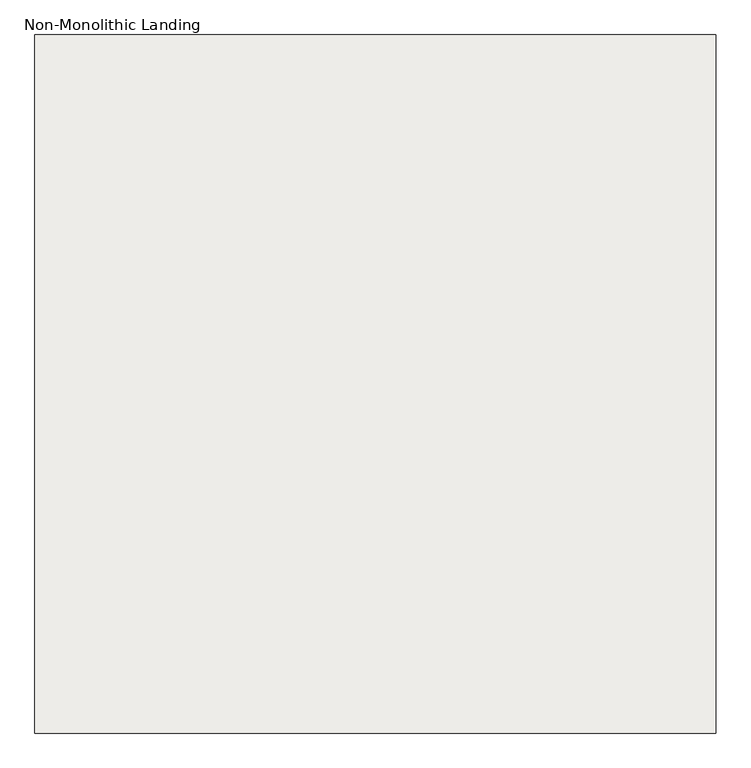
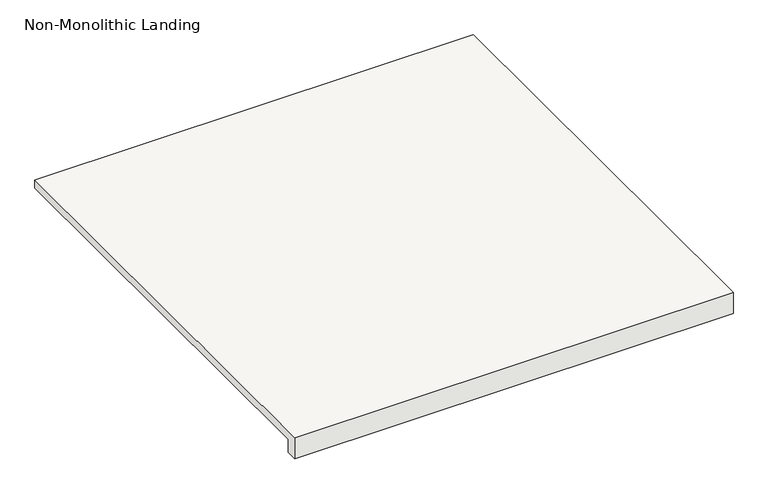
"""IFC4 building model written with IfcOpenShell, lengths in millimetres: slab geometry, Non-Monolithic Landing."""

import ifcopenshell
import ifcopenshell.guid

model = None  # the IFC model being written
_history = None  # IfcOwnerHistory: only IFC2X3 demands one
_inside = {}  # id of a spatial element -> (the spatial element, [elements in it])
_under = {}  # id of a project, library or spatial element -> (it, [spatial elements below it])
_declared = {}  # id of a project -> (the project, [libraries it declares])
_typed = {}  # id of a type object -> (the type object, [elements of that type])
_made_of = {}  # id of a material, layer set ... -> (it, [elements and type objects made of it])


def new_model(schema):
    """Start an empty IFC model of exactly this schema.

    Asked for "IFC4X3", IfcOpenShell would pick the latest addendum, in which some entities
    have other attributes; the version numbers below select the first issue.
    IFC2X3 requires an IfcOwnerHistory on every rooted entity: one is made here for all.
    """
    global model, _history
    if schema == "IFC4X3":
        model = ifcopenshell.file(schema_version=(4, 3, 0, 0))
    else:
        model = ifcopenshell.file(schema=schema)
    _inside.clear()
    _under.clear()
    _declared.clear()
    _typed.clear()
    _made_of.clear()
    _history = None
    if model.schema == "IFC2X3":
        org = make("IfcOrganization", Name="unknown")
        user = make(
            "IfcPersonAndOrganization",
            ThePerson=make("IfcPerson", FamilyName="unknown"),
            TheOrganization=org,
        )
        app = make(
            "IfcApplication",
            ApplicationDeveloper=org,
            Version="unknown",
            ApplicationFullName="unknown",
            ApplicationIdentifier="unknown",
        )
        _history = make(
            "IfcOwnerHistory",
            OwningUser=user,
            OwningApplication=app,
            ChangeAction="ADDED",
            CreationDate=0,
        )
    return model


def make(cls, **values):
    """One entity of the class cls with the attributes given. An attribute that is None is left unset."""
    return model.create_entity(
        cls, **{name: value for name, value in values.items() if value is not None}
    )


def rooted(cls, **values):
    """An entity with a GlobalId (a new one), such as an element, a storey or a relation."""
    return make(cls, GlobalId=ifcopenshell.guid.new(), OwnerHistory=_history, **values)


def si_unit(unit_type, name, prefix=None):
    """IfcSIUnit, for example si_unit("LENGTHUNIT", "METRE", prefix="MILLI")."""
    return make("IfcSIUnit", UnitType=unit_type, Prefix=prefix, Name=name)


def assignment(units):
    """IfcUnitAssignment: the units of a project."""
    return None if units is None else make("IfcUnitAssignment", Units=units)


def point(xyz):
    """IfcCartesianPoint."""
    return None if xyz is None else make("IfcCartesianPoint", Coordinates=xyz)


def direction(xyz):
    """IfcDirection."""
    return None if xyz is None else make("IfcDirection", DirectionRatios=xyz)


def frame(location, z_axis=None, x_axis=None):
    """IfcAxis2Placement3D, a coordinate frame: its origin and axes. An axis left out is left unset."""
    return make(
        "IfcAxis2Placement3D",
        Location=point(location),
        Axis=direction(z_axis),
        RefDirection=direction(x_axis),
    )


def origin():
    """The frame at (0, 0, 0) with its axes left unset."""
    return frame((0.0, 0.0, 0.0))


def place(relative_to, where):
    """IfcLocalPlacement: puts the frame where relative to a parent placement (None: the world)."""
    return make(
        "IfcLocalPlacement", PlacementRelTo=relative_to, RelativePlacement=where
    )


def context(
    kind, dimensions, precision=None, world=None, true_north=None, identifier=None
):
    """IfcGeometricRepresentationContext, for example the 3D "Model" context."""
    return make(
        "IfcGeometricRepresentationContext",
        ContextIdentifier=identifier,
        ContextType=kind,
        CoordinateSpaceDimension=dimensions,
        Precision=precision,
        WorldCoordinateSystem=world,
        TrueNorth=true_north,
    )


def project(units=None, contexts=None):
    """IfcProject with its units and contexts."""
    return rooted(
        "IfcProject",
        Name="project",
        RepresentationContexts=contexts,
        UnitsInContext=assignment(units),
    )


def spatial(cls, under=None, at=None, **own):
    """A site, building, storey or space (cls), placed at a placement, below another one or the project."""
    s = rooted(cls, ObjectPlacement=at, **own)
    if under is not None:
        _under.setdefault(under.id(), (under, []))[1].append(s)
    return s


def faces_of(points, faces, orient=None, outer=None):
    """IfcFace entities. A face is a list of loops; a loop is a list of indices into points, from 0.

    orient and outer hold one flag for each loop. By default every Orientation is true, the
    first loop of a face is its IfcFaceOuterBound and the others are IfcFaceBound.
    """
    made = []
    for i, loops in enumerate(faces):
        bounds = []
        for j, loop in enumerate(loops):
            is_outer = j == 0 if outer is None else outer[i][j]
            bounds.append(
                make(
                    "IfcFaceOuterBound" if is_outer else "IfcFaceBound",
                    Bound=make("IfcPolyLoop", Polygon=[points[k] for k in loop]),
                    Orientation=True if orient is None else orient[i][j],
                )
            )
        made.append(make("IfcFace", Bounds=bounds))
    return made


def faceted_brep(points, faces, orient=None, outer=None, voids=None):
    """IfcFacetedBrep: a solid bounded by flat faces; with voids (closed shells), ...WithVoids."""
    shared = [point(p) for p in points]
    hull = make("IfcClosedShell", CfsFaces=faces_of(shared, faces, orient, outer))
    if voids is None:
        return make("IfcFacetedBrep", Outer=hull)
    return make(
        "IfcFacetedBrepWithVoids",
        Outer=hull,
        Voids=[
            make(cls, CfsFaces=faces_of(shared, fs, o, b)) for cls, fs, o, b in voids
        ],
    )


def shape(context_of_items, identifier, shape_type, items):
    """IfcShapeRepresentation: the items that make up one representation, for example the "Body"."""
    return make(
        "IfcShapeRepresentation",
        ContextOfItems=context_of_items,
        RepresentationIdentifier=identifier,
        RepresentationType=shape_type,
        Items=items,
    )


def source(mapping_origin, context_of_items, identifier, shape_type, items):
    """IfcRepresentationMap: a shape defined once, which mapped items show again and again."""
    return make(
        "IfcRepresentationMap",
        MappingOrigin=mapping_origin,
        MappedRepresentation=shape(context_of_items, identifier, shape_type, items),
    )


def transform(
    local_origin,
    x_axis=None,
    y_axis=None,
    z_axis=None,
    scale=None,
    scale2=None,
    scale3=None,
    uniform=True,
):
    """IfcCartesianTransformationOperator3D, or its non-uniform kind. x_axis, y_axis, z_axis: its Axis1, 2, 3."""
    if uniform:
        return make(
            "IfcCartesianTransformationOperator3D",
            Axis1=direction(x_axis),
            Axis2=direction(y_axis),
            LocalOrigin=point(local_origin),
            Scale=scale,
            Axis3=direction(z_axis),
        )
    return make(
        "IfcCartesianTransformationOperator3DnonUniform",
        Axis1=direction(x_axis),
        Axis2=direction(y_axis),
        LocalOrigin=point(local_origin),
        Scale=scale,
        Axis3=direction(z_axis),
        Scale2=scale2,
        Scale3=scale3,
    )


def mapped(mapping_source, mapping_target):
    """IfcMappedItem: shows the shape of a source again, moved by a transform."""
    return make(
        "IfcMappedItem", MappingSource=mapping_source, MappingTarget=mapping_target
    )


def made_of(thing, what):
    """Note that an element or type object is made of a material, layer set ...; save() writes the relation."""
    if what is not None:
        _made_of.setdefault(what.id(), (what, []))[1].append(thing)
    return thing


def element(
    cls,
    number,
    at=None,
    inside=None,
    cuts=None,
    type_object=None,
    material=None,
    context=None,
    identifier="Body",
    shape_type=None,
    held_by="IfcProductDefinitionShape",
    body=None,
    shapes=None,
    **own,
):
    """One element of the class cls, such as IfcWall. Its Tag is "e" and its number.

    at: its placement. inside: the storey or other place that contains it. cuts: it is an
    opening in that element (IfcRelVoidsElement). A single representation is given by context,
    identifier, shape_type and body (its items); several are given by shapes. held_by: the class
    of the entity that holds the representations. save() writes the other relations.
    """
    e = rooted(cls, Tag="e%d" % number, ObjectPlacement=at, **own)
    if body is not None:
        shapes = [shape(context, identifier, shape_type, body)]
    if shapes is not None:
        e.Representation = make(held_by, Representations=shapes)
    if inside is not None:
        _inside.setdefault(inside.id(), (inside, []))[1].append(e)
    if cuts is not None:
        rooted(
            "IfcRelVoidsElement", RelatingBuildingElement=cuts, RelatedOpeningElement=e
        )
    if type_object is not None:
        _typed.setdefault(type_object.id(), (type_object, []))[1].append(e)
    return made_of(e, material)


def aggregate(whole, parts):
    """IfcRelAggregates: a whole, such as a stair, and the parts it consists of."""
    return rooted("IfcRelAggregates", RelatingObject=whole, RelatedObjects=parts)


def save(model, path):
    """Write the relations noted so far, then the file.

    IfcRelAggregates (storeys below a building ...), IfcRelContainedInSpatialStructure (elements
    in a storey), IfcRelDefinesByType, IfcRelAssociatesMaterial and IfcRelDeclares: one each for
    every whole, place, type object, material and project.
    """
    for whole, parts in _under.values():
        aggregate(whole, parts)
    for where, things in _inside.values():
        rooted(
            "IfcRelContainedInSpatialStructure",
            RelatedElements=things,
            RelatingStructure=where,
        )
    for kind, things in _typed.values():
        rooted("IfcRelDefinesByType", RelatedObjects=things, RelatingType=kind)
    for what, things in _made_of.values():
        rooted("IfcRelAssociatesMaterial", RelatedObjects=things, RelatingMaterial=what)
    for by, libraries in _declared.values():
        rooted("IfcRelDeclares", RelatingContext=by, RelatedDefinitions=libraries)
    model.write(path)


def non_monolithic_landing_5f2c1393(model_context):
    return source(origin(), model_context, "Body", "Brep", [
        faceted_brep([(2670.2555789, -367.2133666, 85600.0), (3670.2555789, -367.2133666, 85600.0), (3670.2555789, -341.8133666, 85600.0), (3670.2555789, 658.1866334, 85600.0), (2670.2555789, 658.1866334, 85600.0), (2695.6555789, -341.8133666, 85549.2), (2695.6555789, 658.1866334, 85549.2), (3670.2555789, 658.1866334, 85549.2), (3670.2555789, -341.8133666, 85549.2), (3670.2555789, -367.2133666, 85549.2), (2670.2555789, -367.2133666, 85549.2), (2670.2555789, -341.8133666, 85549.2), (2695.6555789, -341.8133666, 85555.55), (2695.6555789, 658.1866334, 85555.55), (2670.2555789, 658.1866334, 85580.95), (2670.2555789, -341.8133666, 85580.95)], [[[0, 1, 2, 3, 4]], [[5, 6, 7, 8, 9, 10, 11]], [[6, 5, 12, 13]], [[2, 1, 9, 8]], [[3, 2, 8, 7]], [[4, 3, 7, 6, 13, 14]], [[14, 13, 12, 15]], [[5, 11, 15, 12]], [[0, 4, 14, 15, 11, 10]], [[1, 0, 10, 9]]]),
    ])


if __name__ == "__main__":
    model = new_model("IFC4")
    model_context = context("Model", 3, world=origin())
    ifc_project = project(units=[si_unit("LENGTHUNIT", "METRE", prefix="MILLI")], contexts=[model_context])
    site = spatial("IfcSite", under=ifc_project)
    building = spatial("IfcBuilding", under=site)
    placement = place(None, origin())
    non_monolithic_landing_shape = non_monolithic_landing_5f2c1393(model_context)
    element("IfcSlab", 1, ObjectType="Non-Monolithic Landing", at=placement, inside=building, context=model_context, shape_type="MappedRepresentation", body=[
        mapped(non_monolithic_landing_shape, transform((0.0, 0.0, 0.0), x_axis=(1.0, 0.0, 0.0), y_axis=(0.0, 1.0, 0.0), z_axis=(0.0, 0.0, 1.0))),
    ])
    save(model, "model.ifc")
